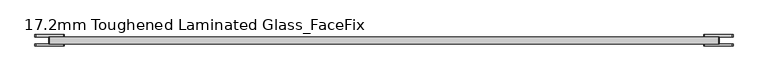
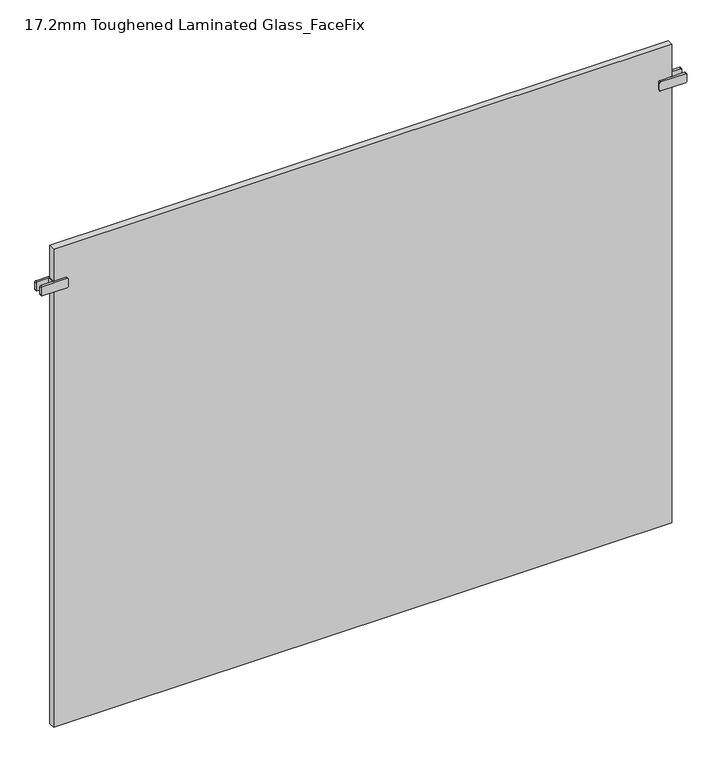
"""IFC4 building model written with IfcOpenShell, lengths in millimetres: plate geometry, 17.2mm Toughened Laminated Glass_FaceFix."""

from ifc_helpers import new_model, si_unit, point, frame, frame_2d, origin, origin_with_axes, place, context, project, spatial, polyline, circle_curve, trimmed, segment, composite_curve, outline, extrude, source, transform, mapped, element, save


def plate_17_2mm_toughened_laminated_glass_facefix_25ef2710(model_context):
    return source(origin(), model_context, "Body", "SweptSolid", [
        extrude(outline(polyline([(-797.5000001, -40.6), (-797.5000001, -23.4), (-792.5000001, -23.4), (-792.5000001, -40.6), (-797.5000001, -40.6)])), frame((0.0, 0.0, 1187.5), z_axis=(0.0, 0.0, 1.0), x_axis=(1.0, 0.0, 0.0)), (0.0, 0.0, 1.0), 25.0),
        extrude(outline(composite_curve([segment(trimmed(circle_curve(frame_2d((1190.5, -763.0000001)), 3.0), [point((1187.5, -763.0000001))], [point((1190.5, -760.0000001))], False, "CARTESIAN"), True, "CONTINUOUS"), segment(polyline([(1190.5, -760.0000001), (1209.5, -760.0000001)]), True, "CONTINUOUS"), segment(trimmed(circle_curve(frame_2d((1209.5, -763.0000001)), 3.0), [point((1209.5, -760.0000001))], [point((1212.5, -763.0000001))], False, "CARTESIAN"), True, "CONTINUOUS"), segment(polyline([(1212.5, -763.0000001), (1212.5, -827.0000001)]), True, "CONTINUOUS"), segment(trimmed(circle_curve(frame_2d((1209.5, -827.0000001)), 3.0), [point((1212.5, -827.0000001))], [point((1209.5, -830.0000001))], False, "CARTESIAN"), True, "CONTINUOUS"), segment(polyline([(1209.5, -830.0000001), (1190.5, -830.0000001)]), True, "CONTINUOUS"), segment(trimmed(circle_curve(frame_2d((1190.5, -827.0000001)), 3.0), [point((1190.5, -830.0000001))], [point((1187.5, -827.0000001))], False, "CARTESIAN"), True, "CONTINUOUS"), segment(polyline([(1187.5, -827.0000001), (1187.5, -763.0000001)]), True, "CONTINUOUS")], self_intersect=False)), frame((0.0, -23.4, 0.0), z_axis=(0.0, 1.0, 0.0), x_axis=(0.0, 0.0, 1.0)), (0.0, 0.0, 1.0), 5.0),
        extrude(outline(composite_curve([segment(trimmed(circle_curve(frame_2d((1190.5, -763.0000001)), 3.0), [point((1187.5, -763.0000001))], [point((1190.5, -760.0000001))], False, "CARTESIAN"), True, "CONTINUOUS"), segment(polyline([(1190.5, -760.0000001), (1209.5, -760.0000001)]), True, "CONTINUOUS"), segment(trimmed(circle_curve(frame_2d((1209.5, -763.0000001)), 3.0), [point((1209.5, -760.0000001))], [point((1212.5, -763.0000001))], False, "CARTESIAN"), True, "CONTINUOUS"), segment(polyline([(1212.5, -763.0000001), (1212.5, -827.0000001)]), True, "CONTINUOUS"), segment(trimmed(circle_curve(frame_2d((1209.5, -827.0000001)), 3.0), [point((1212.5, -827.0000001))], [point((1209.5, -830.0000001))], False, "CARTESIAN"), True, "CONTINUOUS"), segment(polyline([(1209.5, -830.0000001), (1190.5, -830.0000001)]), True, "CONTINUOUS"), segment(trimmed(circle_curve(frame_2d((1190.5, -827.0000001)), 3.0), [point((1190.5, -830.0000001))], [point((1187.5, -827.0000001))], False, "CARTESIAN"), True, "CONTINUOUS"), segment(polyline([(1187.5, -827.0000001), (1187.5, -763.0000001)]), True, "CONTINUOUS")], self_intersect=False)), frame((0.0, -45.6, 0.0), z_axis=(0.0, 1.0, 0.0), x_axis=(0.0, 0.0, 1.0)), (0.0, 0.0, 1.0), 5.0),
        extrude(outline(polyline([(797.5000001, -40.6), (792.5000001, -40.6), (792.5000001, -23.4), (797.5000001, -23.4), (797.5000001, -40.6)])), frame((0.0, 0.0, 1187.5), z_axis=(0.0, 0.0, 1.0), x_axis=(1.0, 0.0, 0.0)), (0.0, 0.0, 1.0), 25.0),
        extrude(outline(composite_curve([segment(polyline([(1187.5, 763.0000001), (1187.5, 827.0000001)]), True, "CONTINUOUS"), segment(trimmed(circle_curve(frame_2d((1190.5, 827.0000001)), 3.0), [point((1187.5, 827.0000001))], [point((1190.5, 830.0000001))], False, "CARTESIAN"), True, "CONTINUOUS"), segment(polyline([(1190.5, 830.0000001), (1209.5, 830.0000001)]), True, "CONTINUOUS"), segment(trimmed(circle_curve(frame_2d((1209.5, 827.0000001)), 3.0), [point((1209.5, 830.0000001))], [point((1212.5, 827.0000001))], False, "CARTESIAN"), True, "CONTINUOUS"), segment(polyline([(1212.5, 827.0000001), (1212.5, 763.0000001)]), True, "CONTINUOUS"), segment(trimmed(circle_curve(frame_2d((1209.5, 763.0000001)), 3.0), [point((1212.5, 763.0000001))], [point((1209.5, 760.0000001))], False, "CARTESIAN"), True, "CONTINUOUS"), segment(polyline([(1209.5, 760.0000001), (1190.5, 760.0000001)]), True, "CONTINUOUS"), segment(trimmed(circle_curve(frame_2d((1190.5, 763.0000001)), 3.0), [point((1190.5, 760.0000001))], [point((1187.5, 763.0000001))], False, "CARTESIAN"), True, "CONTINUOUS")], self_intersect=False)), frame((0.0, -23.4, 0.0), z_axis=(0.0, 1.0, 0.0), x_axis=(0.0, 0.0, 1.0)), (0.0, 0.0, 1.0), 5.0),
        extrude(outline(composite_curve([segment(polyline([(1187.5, 763.0000001), (1187.5, 827.0000001)]), True, "CONTINUOUS"), segment(trimmed(circle_curve(frame_2d((1190.5, 827.0000001)), 3.0), [point((1187.5, 827.0000001))], [point((1190.5, 830.0000001))], False, "CARTESIAN"), True, "CONTINUOUS"), segment(polyline([(1190.5, 830.0000001), (1209.5, 830.0000001)]), True, "CONTINUOUS"), segment(trimmed(circle_curve(frame_2d((1209.5, 827.0000001)), 3.0), [point((1209.5, 830.0000001))], [point((1212.5, 827.0000001))], False, "CARTESIAN"), True, "CONTINUOUS"), segment(polyline([(1212.5, 827.0000001), (1212.5, 763.0000001)]), True, "CONTINUOUS"), segment(trimmed(circle_curve(frame_2d((1209.5, 763.0000001)), 3.0), [point((1212.5, 763.0000001))], [point((1209.5, 760.0000001))], False, "CARTESIAN"), True, "CONTINUOUS"), segment(polyline([(1209.5, 760.0000001), (1190.5, 760.0000001)]), True, "CONTINUOUS"), segment(trimmed(circle_curve(frame_2d((1190.5, 763.0000001)), 3.0), [point((1190.5, 760.0000001))], [point((1187.5, 763.0000001))], False, "CARTESIAN"), True, "CONTINUOUS")], self_intersect=False)), frame((0.0, -45.6, 0.0), z_axis=(0.0, 1.0, 0.0), x_axis=(0.0, 0.0, 1.0)), (0.0, 0.0, 1.0), 5.0),
        extrude(outline(polyline([(795.0000001, -23.4), (795.0000001, -40.6), (-795.0000001, -40.6), (-795.0000001, -23.4), (795.0000001, -23.4)])), origin_with_axes(), (0.0, 0.0, 1.0), 1300.0),
    ])


if __name__ == "__main__":
    model = new_model("IFC4")
    model_context = context("Model", 3, world=origin())
    ifc_project = project(units=[si_unit("LENGTHUNIT", "METRE", prefix="MILLI")], contexts=[model_context])
    site = spatial("IfcSite", under=ifc_project)
    building = spatial("IfcBuilding", under=site)
    placement = place(None, origin())
    plate_17_2mm_toughened_laminated_glass_facefix_shape = plate_17_2mm_toughened_laminated_glass_facefix_25ef2710(model_context)
    element("IfcPlate", 1, ObjectType="17.2mm Toughened Laminated Glass_FaceFix", at=placement, inside=building, context=model_context, shape_type="MappedRepresentation", body=[
        mapped(plate_17_2mm_toughened_laminated_glass_facefix_shape, transform((0.0, 0.0, 0.0), x_axis=(1.0, 0.0, 0.0), y_axis=(0.0, 1.0, 0.0), z_axis=(0.0, 0.0, 1.0))),
    ])
    save(model, "model.ifc")
